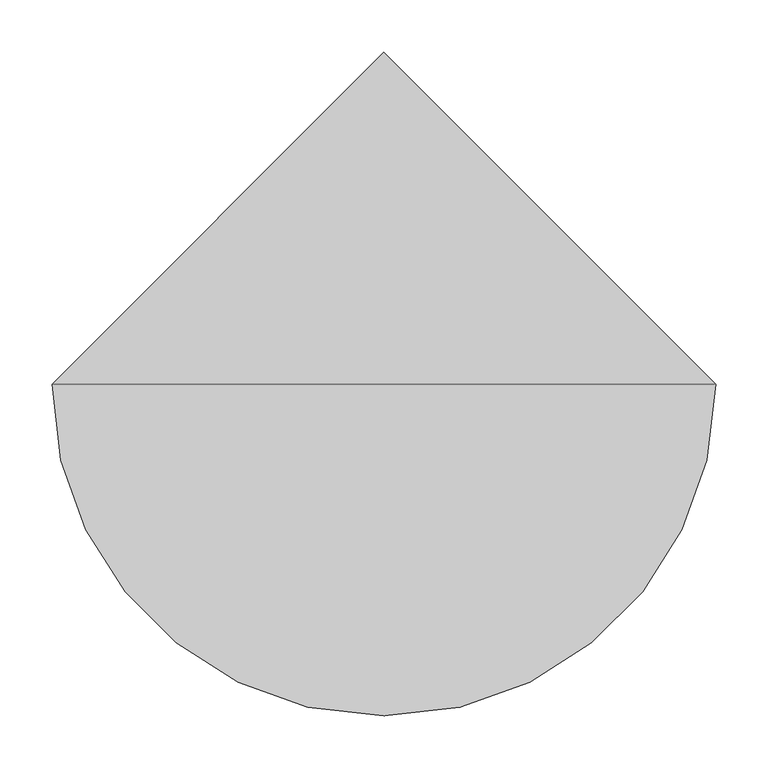
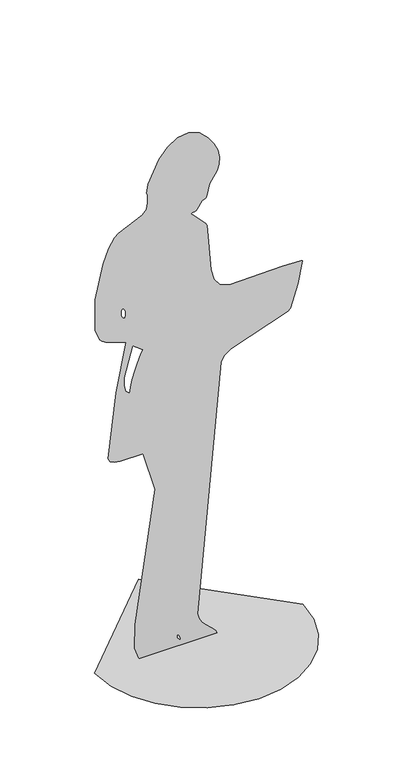
"""IFC4 building model written with IfcOpenShell, lengths in millimetres: proxy geometry."""

from ifc_helpers import new_model, si_unit, origin, place, context, project, spatial, triangles, source, transform, mapped, element, save


def entourage_7b1a36b3(model_context):
    return source(origin(), model_context, "Body", "Tessellation", [
        triangles([(-318.6548229, 0.0, 4.24e-05), (-310.2306278, -73.0146203, 4.24e-05), (-286.238633, -140.0668684, 4.24e-05), (-248.5998693, -199.2356223, 4.24e-05), (-199.2356405, -248.5999238, 4.24e-05), (-140.066832, -286.2385603, 4.24e-05), (-73.014584, -310.2306278, 4.24e-05), (1.39e-05, -318.6548229, 4.24e-05), (73.0146294, -310.2306278, 4.24e-05), (140.0668774, -286.2386148, 4.24e-05), (199.2356405, -248.5998693, 4.24e-05), (248.5999784, -199.2356405, 4.24e-05), (286.2385966, -140.0668139, 4.24e-05), (310.2306278, -73.0145703, 4.24e-05), (318.6548229, 2.79e-05, 4.24e-05), (-4.18e-05, 318.6548229, 4.24e-05), (-236.0835367, 0.0026468, 1148.559617), (-237.9070991, 0.0026105, 1144.016217), (-238.9089093, 0.002563, 1138.061784), (-238.7655132, 0.0025116, 1131.6326706), (-237.1535477, 0.002464, 1125.6657383), (-233.7493405, 0.0024275, 1121.0973398), (-228.2294921, 0.0024097, 1118.8639732), (-225.2502771, 0.002423, 1120.5377083), (-223.8898042, 0.0024609, 1125.2767359), (-225.155897, 0.0025697, 1138.8994509), (-227.3477327, 0.0026205, 1145.257929), (-230.2887596, 0.0026554, 1149.6309179), (-233.7617126, 0.0026644, 1150.7555586), (-228.8641917, 0.0008634, 925.2709934), (-229.6934652, 0.0006601, 899.8162971), (-224.5597306, 0.0005033, 880.177961), (-211.6329034, 0.0004187, 869.5895084), (-209.6239417, 0.0005698, 888.5118999), (-204.3872701, 0.0007466, 910.6406364), (-197.1084447, 0.0009324, 933.9122538), (-188.9728585, 0.001111, 956.2630697), (-181.1660494, 0.0012656, 975.6296202), (-174.8733921, 0.00138, 989.9482956), (-171.2803883, 0.0014376, 997.1555592), (-202.5210322, 0.0016247, 1020.5861057), (-66.9849284, -0.00625, 34.6528176), (-67.3191331, -0.0062754, 31.4693614), (-66.0977869, -0.0063066, 27.5659478), (-61.2032955, -0.0063666, 20.0446886), (-58.6376045, -0.0063858, 17.6494746), (-56.7312665, -0.0063911, 16.9795697), (-55.5294866, -0.0063793, 18.4546126), (-55.6450637, -0.0063551, 21.4948817), (-58.5206149, -0.0062906, 29.5655623), (-60.6268045, -0.0062612, 33.2437376), (-62.7427137, -0.0062409, 35.7822295), (-64.5414275, -0.0062352, 36.505046), (-196.6625417, -0.0062164, 38.8580706), (-195.4354364, -0.0056161, 114.014189), (-133.7754555, -0.0022844, 531.1489019), (-171.402492, -0.0012523, 660.3827288), (-241.8533698, -0.0012538, 660.1863745), (-258.8311126, -0.0012294, 663.2414206), (-271.6695731, -0.0011781, 669.6644297), (-278.4262465, -0.0010914, 680.5183456), (-253.9349725, 0.0005466, 885.598633), (-223.2262001, 0.0017758, 1039.5013029), (-285.405944, 0.0019435, 1060.4989311), (-295.9896366, 0.0019962, 1067.1027431), (-303.7278089, 0.0020581, 1074.8502354), (-317.3085388, 0.0023326, 1109.217469), (-317.9940711, 0.0031331, 1209.447543), (-294.0422809, 0.0039902, 1316.7479702), (-276.8263804, 0.0043352, 1359.9527458), (-258.2499889, 0.0045689, 1389.2095356), (-246.2579338, 0.0046489, 1399.2228779), (-174.1938369, 0.0049131, 1432.3050156), (-163.3074919, 0.0050062, 1443.9621529), (-160.4360829, 0.0050518, 1449.6666012), (-158.1680527, 0.0051123, 1457.2408482), (-156.6087911, 0.005182, 1465.9751987), (-157.2364054, 0.0053902, 1492.035672), (-159.5651331, 0.0054403, 1498.3079636), (-154.8379144, 0.005668, 1526.8156712), (-121.2817323, 0.0062128, 1595.0304028), (-95.2937201, 0.0064508, 1624.8240784), (-65.0597597, 0.006613, 1645.1333038), (-32.0003224, 0.0066598, 1651.0009689), (2.4641026, 0.0065518, 1637.4705448), (28.9675315, 0.0063504, 1612.2571129), (47.2368605, 0.0061453, 1586.5794651), (58.1910656, 0.0059436, 1561.3243206), (62.7491359, 0.0057523, 1537.3785439), (61.8300922, 0.0055786, 1515.629726), (56.3528739, 0.0054295, 1496.9638596), (33.2519811, 0.00515, 1461.9609089), (23.0950474, 0.0048403, 1423.1943798), (21.6613095, 0.0048225, 1420.963266), (20.9385611, 0.0048135, 1419.83848), (20.4209692, 0.0048099, 1419.3768803), (19.6026893, 0.0048079, 1419.1348892), (17.9778975, 0.0048042, 1418.6699467), (15.0407391, 0.0047952, 1417.5383297), (10.2853812, 0.0047773, 1415.2968967), (-5.529673, 0.0046024, 1393.3985241), (-9.1305876, 0.0045775, 1390.2898476), (-13.8403082, 0.004562, 1388.3424374), (-20.2838023, 0.0045566, 1387.6639904), (-23.1512645, 0.0045397, 1385.5529274), (-19.3121819, 0.0044929, 1379.693256), (20.1347971, 0.0041698, 1339.2358418), (25.2754898, 0.0040959, 1329.9824821), (37.7544497, 0.0029161, 1182.267734), (47.125353, 0.0026493, 1148.8685371), (64.8742333, 0.0024555, 1124.6027945), (93.9398783, 0.0023655, 1113.3317528), (255.9275289, 0.0024004, 1117.7099739), (313.4804658, 0.002378, 1114.9071653), (317.035227, 0.0023681, 1113.6608025), (317.6682552, 0.0023643, 1113.1859768), (317.9940711, 0.0023603, 1112.6809204), (303.9523773, 0.0018153, 1044.4505648), (280.7537388, 0.001235, 971.7932991), (273.2483103, 0.0011828, 965.2641191), (98.5043072, 0.0007078, 905.7863543), (77.1590621, 0.0005851, 890.4204317), (68.2314048, 0.0004395, 872.1929832), (-3.3617708, -0.0058615, 83.284533), (-0.0366878, -0.0059949, 66.5920518), (8.0270077, -0.0061069, 52.565923), (19.0289813, -0.0062027, 40.5652338), (42.6463931, -0.0063664, 20.0769518), (51.6611408, -0.0064444, 10.3074218), (56.4128039, -0.0065267, 0.0), (-183.261779, -0.0065267, 0.0)], [[15, 16, 1], [14, 15, 1], [14, 1, 2], [13, 14, 2], [13, 2, 3], [13, 3, 4], [12, 13, 4], [11, 12, 4], [11, 4, 5], [11, 5, 6], [11, 6, 7], [11, 7, 8], [11, 8, 9], [11, 9, 10], [33, 56, 57], [39, 40, 53], [38, 39, 53], [37, 38, 53], [129, 130, 131], [128, 129, 131], [22, 23, 63], [33, 57, 58], [33, 58, 59], [33, 59, 60], [33, 60, 61], [33, 61, 62], [32, 33, 62], [31, 32, 62], [30, 31, 62], [41, 30, 62], [41, 62, 63], [22, 63, 64], [22, 64, 65], [22, 65, 66], [22, 66, 67], [21, 22, 67], [20, 21, 67], [19, 20, 67], [18, 19, 67], [18, 67, 68], [17, 18, 68], [29, 17, 68], [63, 23, 24], [52, 53, 40], [37, 53, 42], [29, 68, 69], [28, 29, 69], [41, 63, 24], [115, 116, 117], [114, 115, 117], [114, 117, 118], [113, 114, 118], [113, 118, 119], [113, 119, 120], [112, 113, 120], [112, 120, 121], [111, 112, 121], [111, 121, 122], [28, 69, 70], [28, 70, 71], [28, 71, 72], [28, 72, 73], [27, 28, 73], [40, 41, 24], [40, 24, 25], [51, 52, 40], [110, 111, 122], [110, 122, 123], [27, 73, 74], [83, 84, 85], [82, 83, 85], [82, 85, 86], [81, 82, 86], [81, 86, 87], [81, 87, 88], [81, 88, 89], [81, 89, 90], [81, 90, 91], [80, 81, 91], [80, 91, 92], [79, 80, 92], [78, 79, 92], [77, 78, 92], [77, 92, 93], [77, 93, 94], [77, 94, 95], [77, 95, 96], [77, 96, 97], [77, 97, 98], [77, 98, 99], [77, 99, 100], [76, 77, 100], [76, 100, 101], [76, 101, 102], [76, 102, 103], [76, 103, 104], [76, 104, 105], [75, 76, 105], [74, 75, 105], [27, 74, 105], [27, 105, 106], [27, 106, 107], [27, 107, 108], [27, 108, 109], [26, 27, 109], [25, 26, 109], [25, 109, 110], [25, 110, 123], [40, 25, 123], [51, 40, 123], [51, 123, 124], [51, 124, 125], [50, 51, 125], [50, 125, 126], [49, 50, 126], [49, 126, 127], [48, 49, 127], [48, 127, 128], [47, 48, 128], [47, 128, 131], [46, 47, 131], [45, 46, 131], [44, 45, 131], [43, 44, 131], [43, 131, 54], [43, 54, 55], [42, 43, 55], [56, 33, 34], [56, 34, 35], [56, 35, 36], [56, 36, 37], [56, 37, 42], [56, 42, 55]], closed=False),
    ])


if __name__ == "__main__":
    model = new_model("IFC4")
    model_context = context("Model", 3, world=origin())
    ifc_project = project(units=[si_unit("LENGTHUNIT", "METRE", prefix="MILLI")], contexts=[model_context])
    site = spatial("IfcSite", under=ifc_project)
    building = spatial("IfcBuilding", under=site)
    placement = place(None, origin())
    entourage_shape = entourage_7b1a36b3(model_context)
    element("IfcBuildingElementProxy", 1, Name="Entourage", at=placement, inside=building, context=model_context, shape_type="MappedRepresentation", body=[
        mapped(entourage_shape, transform((0.0, 0.0, 0.0), x_axis=(1.0, 0.0, 0.0), y_axis=(0.0, 1.0, 0.0), z_axis=(0.0, 0.0, 1.0))),
    ])
    save(model, "model.ifc")
